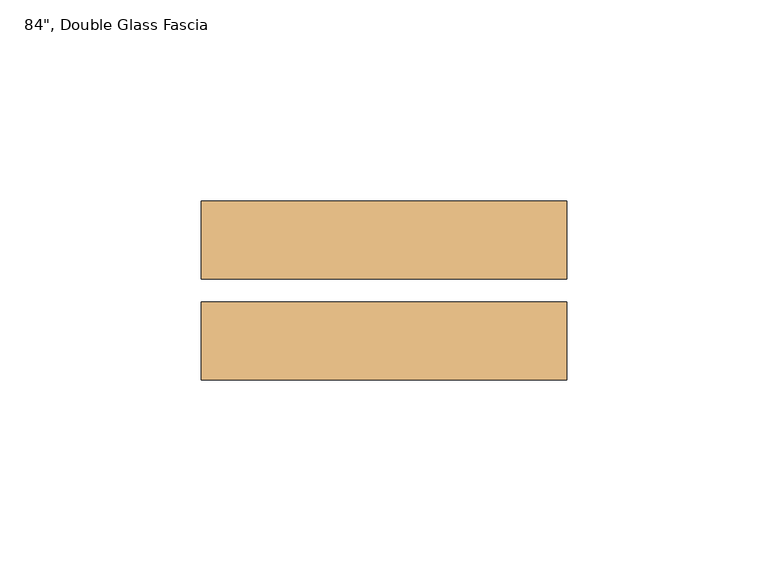
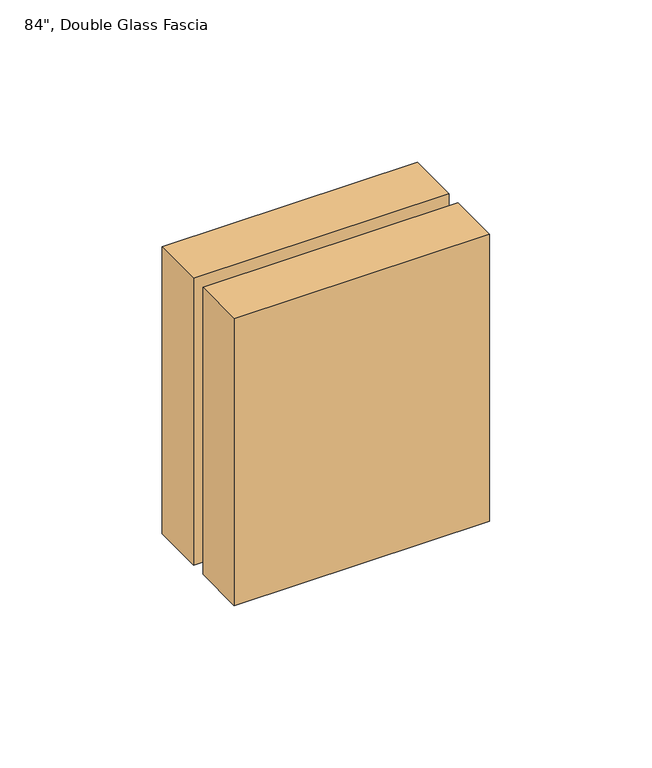
"""IFC4 building model written with IfcOpenShell, lengths in millimetres: door geometry."""

import ifcopenshell
import ifcopenshell.guid

model = None  # the IFC model being written
_history = None  # IfcOwnerHistory: only IFC2X3 demands one
_inside = {}  # id of a spatial element -> (the spatial element, [elements in it])
_under = {}  # id of a project, library or spatial element -> (it, [spatial elements below it])
_declared = {}  # id of a project -> (the project, [libraries it declares])
_typed = {}  # id of a type object -> (the type object, [elements of that type])
_made_of = {}  # id of a material, layer set ... -> (it, [elements and type objects made of it])


def new_model(schema):
    """Start an empty IFC model of exactly this schema.

    Asked for "IFC4X3", IfcOpenShell would pick the latest addendum, in which some entities
    have other attributes; the version numbers below select the first issue.
    IFC2X3 requires an IfcOwnerHistory on every rooted entity: one is made here for all.
    """
    global model, _history
    if schema == "IFC4X3":
        model = ifcopenshell.file(schema_version=(4, 3, 0, 0))
    else:
        model = ifcopenshell.file(schema=schema)
    _inside.clear()
    _under.clear()
    _declared.clear()
    _typed.clear()
    _made_of.clear()
    _history = None
    if model.schema == "IFC2X3":
        org = make("IfcOrganization", Name="unknown")
        user = make(
            "IfcPersonAndOrganization",
            ThePerson=make("IfcPerson", FamilyName="unknown"),
            TheOrganization=org,
        )
        app = make(
            "IfcApplication",
            ApplicationDeveloper=org,
            Version="unknown",
            ApplicationFullName="unknown",
            ApplicationIdentifier="unknown",
        )
        _history = make(
            "IfcOwnerHistory",
            OwningUser=user,
            OwningApplication=app,
            ChangeAction="ADDED",
            CreationDate=0,
        )
    return model


def make(cls, **values):
    """One entity of the class cls with the attributes given. An attribute that is None is left unset."""
    return model.create_entity(
        cls, **{name: value for name, value in values.items() if value is not None}
    )


def rooted(cls, **values):
    """An entity with a GlobalId (a new one), such as an element, a storey or a relation."""
    return make(cls, GlobalId=ifcopenshell.guid.new(), OwnerHistory=_history, **values)


def si_unit(unit_type, name, prefix=None):
    """IfcSIUnit, for example si_unit("LENGTHUNIT", "METRE", prefix="MILLI")."""
    return make("IfcSIUnit", UnitType=unit_type, Prefix=prefix, Name=name)


def assignment(units):
    """IfcUnitAssignment: the units of a project."""
    return None if units is None else make("IfcUnitAssignment", Units=units)


def point(xyz):
    """IfcCartesianPoint."""
    return None if xyz is None else make("IfcCartesianPoint", Coordinates=xyz)


def direction(xyz):
    """IfcDirection."""
    return None if xyz is None else make("IfcDirection", DirectionRatios=xyz)


def frame(location, z_axis=None, x_axis=None):
    """IfcAxis2Placement3D, a coordinate frame: its origin and axes. An axis left out is left unset."""
    return make(
        "IfcAxis2Placement3D",
        Location=point(location),
        Axis=direction(z_axis),
        RefDirection=direction(x_axis),
    )


def origin():
    """The frame at (0, 0, 0) with its axes left unset."""
    return frame((0.0, 0.0, 0.0))


def place(relative_to, where):
    """IfcLocalPlacement: puts the frame where relative to a parent placement (None: the world)."""
    return make(
        "IfcLocalPlacement", PlacementRelTo=relative_to, RelativePlacement=where
    )


def context(
    kind, dimensions, precision=None, world=None, true_north=None, identifier=None
):
    """IfcGeometricRepresentationContext, for example the 3D "Model" context."""
    return make(
        "IfcGeometricRepresentationContext",
        ContextIdentifier=identifier,
        ContextType=kind,
        CoordinateSpaceDimension=dimensions,
        Precision=precision,
        WorldCoordinateSystem=world,
        TrueNorth=true_north,
    )


def project(units=None, contexts=None):
    """IfcProject with its units and contexts."""
    return rooted(
        "IfcProject",
        Name="project",
        RepresentationContexts=contexts,
        UnitsInContext=assignment(units),
    )


def spatial(cls, under=None, at=None, **own):
    """A site, building, storey or space (cls), placed at a placement, below another one or the project."""
    s = rooted(cls, ObjectPlacement=at, **own)
    if under is not None:
        _under.setdefault(under.id(), (under, []))[1].append(s)
    return s


def polyline(points):
    """IfcPolyline through the points."""
    return make("IfcPolyline", Points=[point(p) for p in points])


def outline(outer, holes=None, kind="AREA"):
    """IfcArbitraryClosedProfileDef: a profile drawn as a closed curve; with holes, ...WithVoids."""
    if holes is None:
        return make("IfcArbitraryClosedProfileDef", ProfileType=kind, OuterCurve=outer)
    return make(
        "IfcArbitraryProfileDefWithVoids",
        ProfileType=kind,
        OuterCurve=outer,
        InnerCurves=holes,
    )


def extrude(swept, where, along, depth):
    """IfcExtrudedAreaSolid: the profile swept, set in the frame where, extruded along a direction by depth."""
    return make(
        "IfcExtrudedAreaSolid",
        SweptArea=swept,
        Position=where,
        ExtrudedDirection=direction(along),
        Depth=depth,
    )


def shape(context_of_items, identifier, shape_type, items):
    """IfcShapeRepresentation: the items that make up one representation, for example the "Body"."""
    return make(
        "IfcShapeRepresentation",
        ContextOfItems=context_of_items,
        RepresentationIdentifier=identifier,
        RepresentationType=shape_type,
        Items=items,
    )


def source(mapping_origin, context_of_items, identifier, shape_type, items):
    """IfcRepresentationMap: a shape defined once, which mapped items show again and again."""
    return make(
        "IfcRepresentationMap",
        MappingOrigin=mapping_origin,
        MappedRepresentation=shape(context_of_items, identifier, shape_type, items),
    )


def transform(
    local_origin,
    x_axis=None,
    y_axis=None,
    z_axis=None,
    scale=None,
    scale2=None,
    scale3=None,
    uniform=True,
):
    """IfcCartesianTransformationOperator3D, or its non-uniform kind. x_axis, y_axis, z_axis: its Axis1, 2, 3."""
    if uniform:
        return make(
            "IfcCartesianTransformationOperator3D",
            Axis1=direction(x_axis),
            Axis2=direction(y_axis),
            LocalOrigin=point(local_origin),
            Scale=scale,
            Axis3=direction(z_axis),
        )
    return make(
        "IfcCartesianTransformationOperator3DnonUniform",
        Axis1=direction(x_axis),
        Axis2=direction(y_axis),
        LocalOrigin=point(local_origin),
        Scale=scale,
        Axis3=direction(z_axis),
        Scale2=scale2,
        Scale3=scale3,
    )


def mapped(mapping_source, mapping_target):
    """IfcMappedItem: shows the shape of a source again, moved by a transform."""
    return make(
        "IfcMappedItem", MappingSource=mapping_source, MappingTarget=mapping_target
    )


def made_of(thing, what):
    """Note that an element or type object is made of a material, layer set ...; save() writes the relation."""
    if what is not None:
        _made_of.setdefault(what.id(), (what, []))[1].append(thing)
    return thing


def element(
    cls,
    number,
    at=None,
    inside=None,
    cuts=None,
    type_object=None,
    material=None,
    context=None,
    identifier="Body",
    shape_type=None,
    held_by="IfcProductDefinitionShape",
    body=None,
    shapes=None,
    **own,
):
    """One element of the class cls, such as IfcWall. Its Tag is "e" and its number.

    at: its placement. inside: the storey or other place that contains it. cuts: it is an
    opening in that element (IfcRelVoidsElement). A single representation is given by context,
    identifier, shape_type and body (its items); several are given by shapes. held_by: the class
    of the entity that holds the representations. save() writes the other relations.
    """
    e = rooted(cls, Tag="e%d" % number, ObjectPlacement=at, **own)
    if body is not None:
        shapes = [shape(context, identifier, shape_type, body)]
    if shapes is not None:
        e.Representation = make(held_by, Representations=shapes)
    if inside is not None:
        _inside.setdefault(inside.id(), (inside, []))[1].append(e)
    if cuts is not None:
        rooted(
            "IfcRelVoidsElement", RelatingBuildingElement=cuts, RelatedOpeningElement=e
        )
    if type_object is not None:
        _typed.setdefault(type_object.id(), (type_object, []))[1].append(e)
    return made_of(e, material)


def aggregate(whole, parts):
    """IfcRelAggregates: a whole, such as a stair, and the parts it consists of."""
    return rooted("IfcRelAggregates", RelatingObject=whole, RelatedObjects=parts)


def save(model, path):
    """Write the relations noted so far, then the file.

    IfcRelAggregates (storeys below a building ...), IfcRelContainedInSpatialStructure (elements
    in a storey), IfcRelDefinesByType, IfcRelAssociatesMaterial and IfcRelDeclares: one each for
    every whole, place, type object, material and project.
    """
    for whole, parts in _under.values():
        aggregate(whole, parts)
    for where, things in _inside.values():
        rooted(
            "IfcRelContainedInSpatialStructure",
            RelatedElements=things,
            RelatingStructure=where,
        )
    for kind, things in _typed.values():
        rooted("IfcRelDefinesByType", RelatedObjects=things, RelatingType=kind)
    for what, things in _made_of.values():
        rooted("IfcRelAssociatesMaterial", RelatedObjects=things, RelatingMaterial=what)
    for by, libraries in _declared.values():
        rooted("IfcRelDeclares", RelatingContext=by, RelatedDefinitions=libraries)
    model.write(path)


def door_bd7a66c0(model_context):
    return source(origin(), model_context, "Body", "SweptSolid", [
        extrude(outline(polyline([(453.0725, -49.2748545), (362.2675, -49.2748545), (362.2675, -29.9073545), (453.0725, -29.9073545), (453.0725, -49.2748545)])), frame((0.0, 0.0, 953.1373407), z_axis=(0.0, 0.0, 1.0), x_axis=(1.0, 0.0, 0.0)), (0.0, 0.0, 1.0), 107.95),
        extrude(outline(polyline([(453.0725, -24.1923545), (362.2675, -24.1923545), (362.2675, -4.8248545), (453.0725, -4.8248545), (453.0725, -24.1923545)])), frame((0.0, 0.0, 953.1373407), z_axis=(0.0, 0.0, 1.0), x_axis=(1.0, 0.0, 0.0)), (0.0, 0.0, 1.0), 107.95),
    ])


if __name__ == "__main__":
    model = new_model("IFC4")
    model_context = context("Model", 3, world=origin())
    ifc_project = project(units=[si_unit("LENGTHUNIT", "METRE", prefix="MILLI")], contexts=[model_context])
    site = spatial("IfcSite", under=ifc_project)
    building = spatial("IfcBuilding", under=site)
    placement = place(None, origin())
    door_shape = door_bd7a66c0(model_context)
    element("IfcDoor", 1, ObjectType="84\", Double Glass Fascia", at=placement, inside=building, context=model_context, shape_type="MappedRepresentation", body=[
        mapped(door_shape, transform((0.0, 0.0, 0.0), x_axis=(1.0, 0.0, 0.0), y_axis=(0.0, 1.0, 0.0), z_axis=(0.0, 0.0, 1.0))),
    ])
    save(model, "model.ifc")
